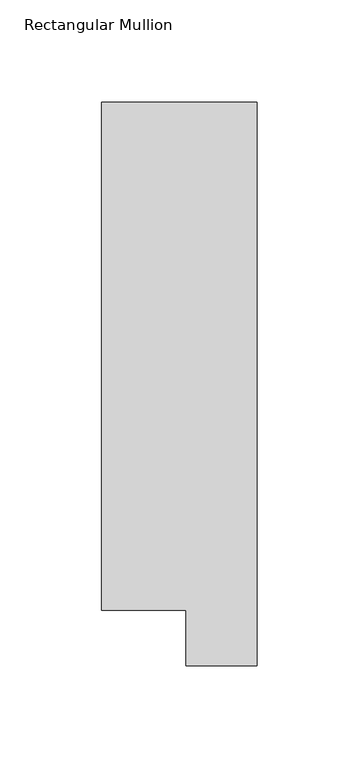
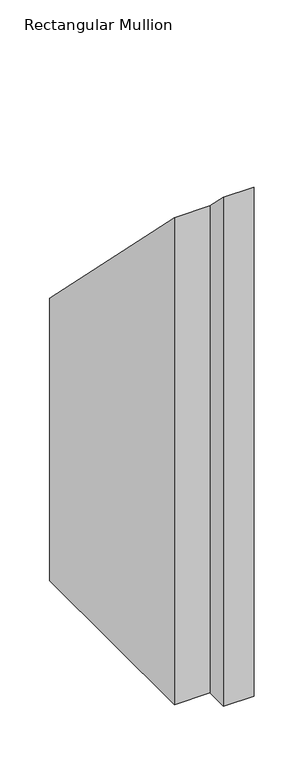
"""IFC4 building model written with IfcOpenShell, lengths in millimetres: member geometry, Rectangular Mullion."""

from ifc_helpers import new_model, si_unit, origin, place, context, project, spatial, faceted_brep, source, transform, mapped, element, save


def rectangular_mullion_0d28ac78(model_context):
    return source(origin(), model_context, "Body", "Brep", [
        faceted_brep([(-3.3e-06, 295.9695326, -641.35), (0.0, 19.5667326, -641.35), (-34.9123, 19.5667322, -641.35), (-34.9123003, 46.7447311, -641.35), (-76.2000003, 46.7447306, -641.35), (-76.2000033, 295.9695317, -641.35), (-76.2000033, 295.9695317, -295.9695317), (-3.3e-06, 295.9695326, -295.9695326), (-76.2000003, 46.7447306, -46.7447306), (-34.9123003, 46.7447311, -46.7447311), (-34.9123, 19.5667322, -19.5667322), (0.0, 19.5667326, -19.5667326)], [[[0, 1, 2, 3, 4, 5]], [[6, 7, 0, 5]], [[8, 6, 5, 4]], [[9, 8, 4, 3]], [[10, 9, 3, 2]], [[11, 10, 2, 1]], [[7, 11, 1, 0]], [[7, 6, 8, 9, 10, 11]]]),
    ])


if __name__ == "__main__":
    model = new_model("IFC4")
    model_context = context("Model", 3, world=origin())
    ifc_project = project(units=[si_unit("LENGTHUNIT", "METRE", prefix="MILLI")], contexts=[model_context])
    site = spatial("IfcSite", under=ifc_project)
    building = spatial("IfcBuilding", under=site)
    placement = place(None, origin())
    rectangular_mullion_shape = rectangular_mullion_0d28ac78(model_context)
    element("IfcMember", 1, ObjectType="Rectangular Mullion", at=placement, inside=building, context=model_context, shape_type="MappedRepresentation", body=[
        mapped(rectangular_mullion_shape, transform((0.0, 0.0, 0.0), x_axis=(1.0, 0.0, 0.0), y_axis=(0.0, 1.0, 0.0), z_axis=(0.0, 0.0, 1.0))),
    ])
    save(model, "model.ifc")
